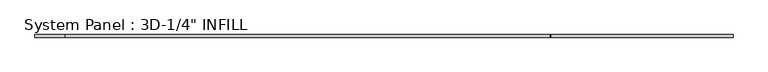
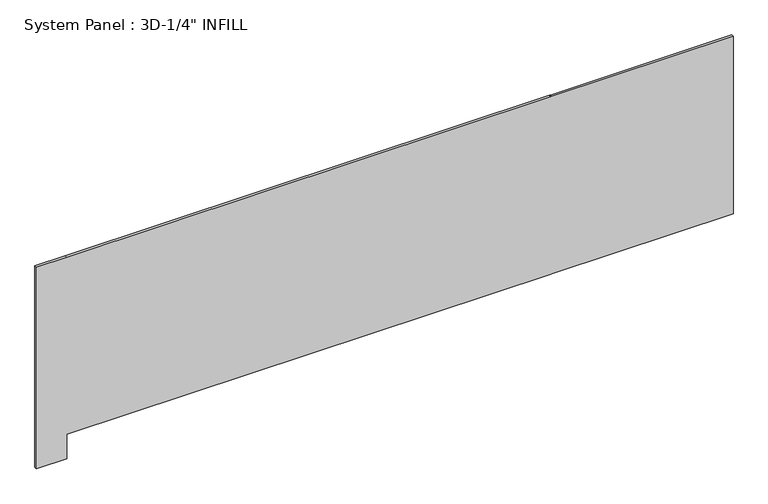
"""IFC4 building model written with IfcOpenShell, lengths in millimetres: plate geometry."""

from ifc_helpers import new_model, si_unit, frame, origin, place, context, project, spatial, polyline, outline, extrude, source, transform, mapped, element, save


def plate_275e5776(model_context):
    return source(origin(), model_context, "Body", "SweptSolid", [
        extrude(outline(polyline([(0.0, -850.6150438), (0.0, -776.9843011), (62.696725, -776.9843011), (62.696725, 405.1078864), (62.696725, 407.4891364), (62.696725, 850.6150438), (520.2554113, 850.6150438), (520.2554113, 407.4891364), (520.2554113, 405.1078864), (520.2554113, -776.9843011), (520.2554113, -850.6150438), (0.0, -850.6150438)])), frame((0.0, -3.175, 0.0), z_axis=(0.0, 1.0, 0.0), x_axis=(0.0, 0.0, 1.0)), (0.0, 0.0, 1.0), 6.35),
    ])


if __name__ == "__main__":
    model = new_model("IFC4")
    model_context = context("Model", 3, world=origin())
    ifc_project = project(units=[si_unit("LENGTHUNIT", "METRE", prefix="MILLI")], contexts=[model_context])
    site = spatial("IfcSite", under=ifc_project)
    building = spatial("IfcBuilding", under=site)
    placement = place(None, origin())
    plate_shape = plate_275e5776(model_context)
    element("IfcPlate", 1, ObjectType="System Panel : 3D-1/4\" INFILL", at=placement, inside=building, context=model_context, shape_type="MappedRepresentation", body=[
        mapped(plate_shape, transform((0.0, 0.0, 0.0), x_axis=(1.0, 0.0, 0.0), y_axis=(0.0, 1.0, 0.0), z_axis=(0.0, 0.0, 1.0))),
    ])
    save(model, "model.ifc")
